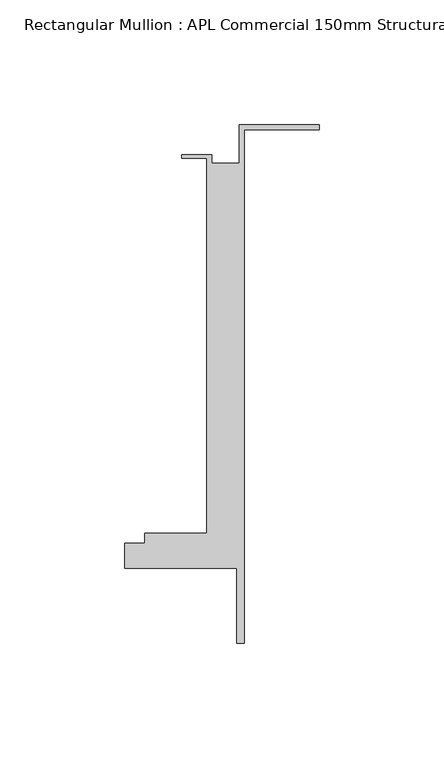
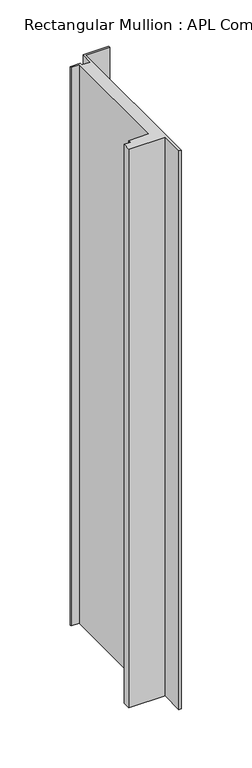
"""IFC4 building model written with IfcOpenShell, lengths in millimetres: member geometry, Rectangular Mullion : APL Commercial 150mm Structural Glaze SubSill."""

from ifc_helpers import new_model, si_unit, frame, origin, place, context, project, spatial, polyline, outline, extrude, source, transform, mapped, element, save


def rectangular_mullion_apl_commercial_150mm_structural_glaze_b7e2955a(model_context):
    return source(origin(), model_context, "Body", "SweptSolid", [
        extrude(outline(polyline([(-32.0, 41.25), (0.0, 41.25), (0.0, 39.25), (-30.0, 39.25), (-30.0, -166.75), (-33.0000284, -166.75), (-33.0000284, -136.75), (-78.0000284, -136.75), (-78.0000284, -126.75), (-70.0000284, -126.75), (-70.0000284, -122.75), (-45.0, -122.75), (-45.0, 27.75), (-55.0, 27.75), (-55.0, 29.25), (-43.0, 29.25), (-43.0, 25.75), (-32.0, 25.75), (-32.0, 41.25)])), frame((0.0, 0.0, -735.6233737), z_axis=(0.0, 0.0, 1.0), x_axis=(1.0, 0.0, 0.0)), (0.0, 0.0, 1.0), 735.6233737),
    ])


if __name__ == "__main__":
    model = new_model("IFC4")
    model_context = context("Model", 3, world=origin())
    ifc_project = project(units=[si_unit("LENGTHUNIT", "METRE", prefix="MILLI")], contexts=[model_context])
    site = spatial("IfcSite", under=ifc_project)
    building = spatial("IfcBuilding", under=site)
    placement = place(None, origin())
    rectangular_mullion_apl_commercial_150mm_structural_glaze_shape = rectangular_mullion_apl_commercial_150mm_structural_glaze_b7e2955a(model_context)
    element("IfcMember", 1, ObjectType="Rectangular Mullion : APL Commercial 150mm Structural Glaze SubSill", at=placement, inside=building, context=model_context, shape_type="MappedRepresentation", body=[
        mapped(rectangular_mullion_apl_commercial_150mm_structural_glaze_shape, transform((0.0, 0.0, 0.0), x_axis=(1.0, 0.0, 0.0), y_axis=(0.0, 1.0, 0.0), z_axis=(0.0, 0.0, 1.0))),
    ])
    save(model, "model.ifc")
